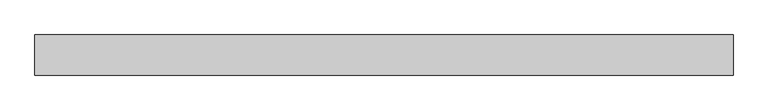
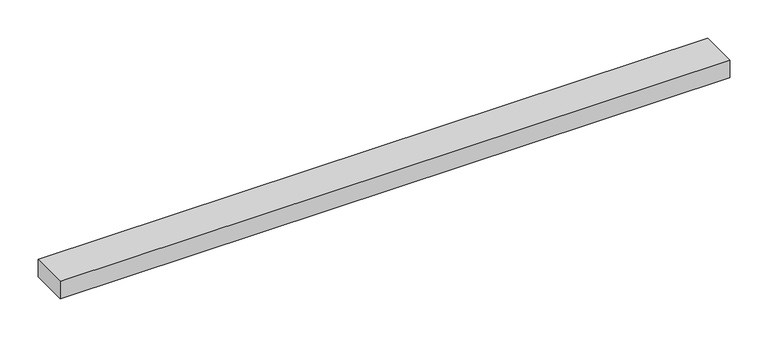
"""IFC4 building model written with IfcOpenShell, lengths in millimetres: proxy geometry."""

from ifc_helpers import new_model, si_unit, frame, origin, place, context, project, spatial, polyline, outline, extrude, source, transform, mapped, element, save


def specialty_equipment_0b2d867c(model_context):
    return source(origin(), model_context, "Body", "SweptSolid", [
        extrude(outline(polyline([(-508.0, 29.2199219), (508.0, 29.2199219), (508.0, -29.2199219), (-508.0, -29.2199219), (-508.0, 29.2199219)])), frame((0.0, 0.0, -13.9898438), z_axis=(0.0, 0.0, 1.0), x_axis=(1.0, 0.0, 0.0)), (0.0, 0.0, 1.0), 27.9796875),
    ])


if __name__ == "__main__":
    model = new_model("IFC4")
    model_context = context("Model", 3, world=origin())
    ifc_project = project(units=[si_unit("LENGTHUNIT", "METRE", prefix="MILLI")], contexts=[model_context])
    site = spatial("IfcSite", under=ifc_project)
    building = spatial("IfcBuilding", under=site)
    placement = place(None, origin())
    specialty_equipment_shape = specialty_equipment_0b2d867c(model_context)
    element("IfcBuildingElementProxy", 1, Name="Specialty Equipment", at=placement, inside=building, context=model_context, shape_type="MappedRepresentation", body=[
        mapped(specialty_equipment_shape, transform((0.0, 0.0, 0.0), x_axis=(1.0, 0.0, 0.0), y_axis=(0.0, 1.0, 0.0), z_axis=(0.0, 0.0, 1.0))),
    ])
    save(model, "model.ifc")
